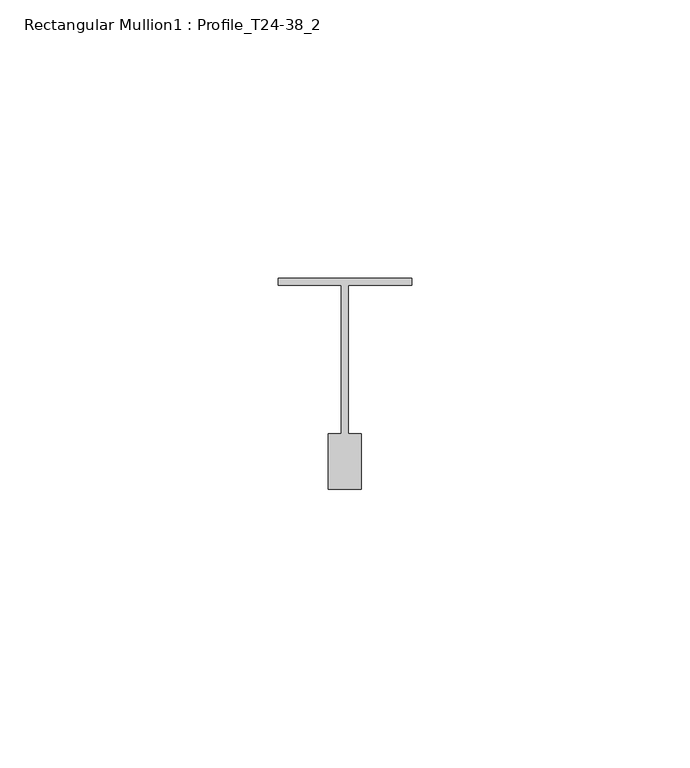
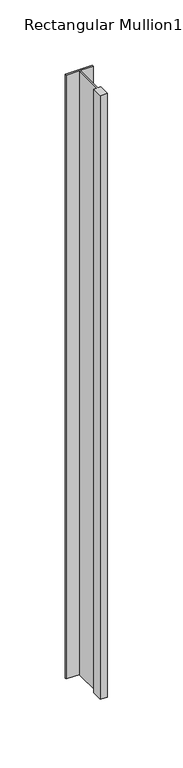
"""IFC4 building model written with IfcOpenShell, lengths in millimetres: member geometry, Rectangular Mullion1 : Profile_T24-38_2."""

import ifcopenshell
import ifcopenshell.guid

model = None  # the IFC model being written
_history = None  # IfcOwnerHistory: only IFC2X3 demands one
_inside = {}  # id of a spatial element -> (the spatial element, [elements in it])
_under = {}  # id of a project, library or spatial element -> (it, [spatial elements below it])
_declared = {}  # id of a project -> (the project, [libraries it declares])
_typed = {}  # id of a type object -> (the type object, [elements of that type])
_made_of = {}  # id of a material, layer set ... -> (it, [elements and type objects made of it])


def new_model(schema):
    """Start an empty IFC model of exactly this schema.

    Asked for "IFC4X3", IfcOpenShell would pick the latest addendum, in which some entities
    have other attributes; the version numbers below select the first issue.
    IFC2X3 requires an IfcOwnerHistory on every rooted entity: one is made here for all.
    """
    global model, _history
    if schema == "IFC4X3":
        model = ifcopenshell.file(schema_version=(4, 3, 0, 0))
    else:
        model = ifcopenshell.file(schema=schema)
    _inside.clear()
    _under.clear()
    _declared.clear()
    _typed.clear()
    _made_of.clear()
    _history = None
    if model.schema == "IFC2X3":
        org = make("IfcOrganization", Name="unknown")
        user = make(
            "IfcPersonAndOrganization",
            ThePerson=make("IfcPerson", FamilyName="unknown"),
            TheOrganization=org,
        )
        app = make(
            "IfcApplication",
            ApplicationDeveloper=org,
            Version="unknown",
            ApplicationFullName="unknown",
            ApplicationIdentifier="unknown",
        )
        _history = make(
            "IfcOwnerHistory",
            OwningUser=user,
            OwningApplication=app,
            ChangeAction="ADDED",
            CreationDate=0,
        )
    return model


def make(cls, **values):
    """One entity of the class cls with the attributes given. An attribute that is None is left unset."""
    return model.create_entity(
        cls, **{name: value for name, value in values.items() if value is not None}
    )


def rooted(cls, **values):
    """An entity with a GlobalId (a new one), such as an element, a storey or a relation."""
    return make(cls, GlobalId=ifcopenshell.guid.new(), OwnerHistory=_history, **values)


def si_unit(unit_type, name, prefix=None):
    """IfcSIUnit, for example si_unit("LENGTHUNIT", "METRE", prefix="MILLI")."""
    return make("IfcSIUnit", UnitType=unit_type, Prefix=prefix, Name=name)


def assignment(units):
    """IfcUnitAssignment: the units of a project."""
    return None if units is None else make("IfcUnitAssignment", Units=units)


def point(xyz):
    """IfcCartesianPoint."""
    return None if xyz is None else make("IfcCartesianPoint", Coordinates=xyz)


def direction(xyz):
    """IfcDirection."""
    return None if xyz is None else make("IfcDirection", DirectionRatios=xyz)


def frame(location, z_axis=None, x_axis=None):
    """IfcAxis2Placement3D, a coordinate frame: its origin and axes. An axis left out is left unset."""
    return make(
        "IfcAxis2Placement3D",
        Location=point(location),
        Axis=direction(z_axis),
        RefDirection=direction(x_axis),
    )


def origin():
    """The frame at (0, 0, 0) with its axes left unset."""
    return frame((0.0, 0.0, 0.0))


def place(relative_to, where):
    """IfcLocalPlacement: puts the frame where relative to a parent placement (None: the world)."""
    return make(
        "IfcLocalPlacement", PlacementRelTo=relative_to, RelativePlacement=where
    )


def context(
    kind, dimensions, precision=None, world=None, true_north=None, identifier=None
):
    """IfcGeometricRepresentationContext, for example the 3D "Model" context."""
    return make(
        "IfcGeometricRepresentationContext",
        ContextIdentifier=identifier,
        ContextType=kind,
        CoordinateSpaceDimension=dimensions,
        Precision=precision,
        WorldCoordinateSystem=world,
        TrueNorth=true_north,
    )


def project(units=None, contexts=None):
    """IfcProject with its units and contexts."""
    return rooted(
        "IfcProject",
        Name="project",
        RepresentationContexts=contexts,
        UnitsInContext=assignment(units),
    )


def spatial(cls, under=None, at=None, **own):
    """A site, building, storey or space (cls), placed at a placement, below another one or the project."""
    s = rooted(cls, ObjectPlacement=at, **own)
    if under is not None:
        _under.setdefault(under.id(), (under, []))[1].append(s)
    return s


def polyline(points):
    """IfcPolyline through the points."""
    return make("IfcPolyline", Points=[point(p) for p in points])


def outline(outer, holes=None, kind="AREA"):
    """IfcArbitraryClosedProfileDef: a profile drawn as a closed curve; with holes, ...WithVoids."""
    if holes is None:
        return make("IfcArbitraryClosedProfileDef", ProfileType=kind, OuterCurve=outer)
    return make(
        "IfcArbitraryProfileDefWithVoids",
        ProfileType=kind,
        OuterCurve=outer,
        InnerCurves=holes,
    )


def extrude(swept, where, along, depth):
    """IfcExtrudedAreaSolid: the profile swept, set in the frame where, extruded along a direction by depth."""
    return make(
        "IfcExtrudedAreaSolid",
        SweptArea=swept,
        Position=where,
        ExtrudedDirection=direction(along),
        Depth=depth,
    )


def shape(context_of_items, identifier, shape_type, items):
    """IfcShapeRepresentation: the items that make up one representation, for example the "Body"."""
    return make(
        "IfcShapeRepresentation",
        ContextOfItems=context_of_items,
        RepresentationIdentifier=identifier,
        RepresentationType=shape_type,
        Items=items,
    )


def source(mapping_origin, context_of_items, identifier, shape_type, items):
    """IfcRepresentationMap: a shape defined once, which mapped items show again and again."""
    return make(
        "IfcRepresentationMap",
        MappingOrigin=mapping_origin,
        MappedRepresentation=shape(context_of_items, identifier, shape_type, items),
    )


def transform(
    local_origin,
    x_axis=None,
    y_axis=None,
    z_axis=None,
    scale=None,
    scale2=None,
    scale3=None,
    uniform=True,
):
    """IfcCartesianTransformationOperator3D, or its non-uniform kind. x_axis, y_axis, z_axis: its Axis1, 2, 3."""
    if uniform:
        return make(
            "IfcCartesianTransformationOperator3D",
            Axis1=direction(x_axis),
            Axis2=direction(y_axis),
            LocalOrigin=point(local_origin),
            Scale=scale,
            Axis3=direction(z_axis),
        )
    return make(
        "IfcCartesianTransformationOperator3DnonUniform",
        Axis1=direction(x_axis),
        Axis2=direction(y_axis),
        LocalOrigin=point(local_origin),
        Scale=scale,
        Axis3=direction(z_axis),
        Scale2=scale2,
        Scale3=scale3,
    )


def mapped(mapping_source, mapping_target):
    """IfcMappedItem: shows the shape of a source again, moved by a transform."""
    return make(
        "IfcMappedItem", MappingSource=mapping_source, MappingTarget=mapping_target
    )


def made_of(thing, what):
    """Note that an element or type object is made of a material, layer set ...; save() writes the relation."""
    if what is not None:
        _made_of.setdefault(what.id(), (what, []))[1].append(thing)
    return thing


def element(
    cls,
    number,
    at=None,
    inside=None,
    cuts=None,
    type_object=None,
    material=None,
    context=None,
    identifier="Body",
    shape_type=None,
    held_by="IfcProductDefinitionShape",
    body=None,
    shapes=None,
    **own,
):
    """One element of the class cls, such as IfcWall. Its Tag is "e" and its number.

    at: its placement. inside: the storey or other place that contains it. cuts: it is an
    opening in that element (IfcRelVoidsElement). A single representation is given by context,
    identifier, shape_type and body (its items); several are given by shapes. held_by: the class
    of the entity that holds the representations. save() writes the other relations.
    """
    e = rooted(cls, Tag="e%d" % number, ObjectPlacement=at, **own)
    if body is not None:
        shapes = [shape(context, identifier, shape_type, body)]
    if shapes is not None:
        e.Representation = make(held_by, Representations=shapes)
    if inside is not None:
        _inside.setdefault(inside.id(), (inside, []))[1].append(e)
    if cuts is not None:
        rooted(
            "IfcRelVoidsElement", RelatingBuildingElement=cuts, RelatedOpeningElement=e
        )
    if type_object is not None:
        _typed.setdefault(type_object.id(), (type_object, []))[1].append(e)
    return made_of(e, material)


def aggregate(whole, parts):
    """IfcRelAggregates: a whole, such as a stair, and the parts it consists of."""
    return rooted("IfcRelAggregates", RelatingObject=whole, RelatedObjects=parts)


def save(model, path):
    """Write the relations noted so far, then the file.

    IfcRelAggregates (storeys below a building ...), IfcRelContainedInSpatialStructure (elements
    in a storey), IfcRelDefinesByType, IfcRelAssociatesMaterial and IfcRelDeclares: one each for
    every whole, place, type object, material and project.
    """
    for whole, parts in _under.values():
        aggregate(whole, parts)
    for where, things in _inside.values():
        rooted(
            "IfcRelContainedInSpatialStructure",
            RelatedElements=things,
            RelatingStructure=where,
        )
    for kind, things in _typed.values():
        rooted("IfcRelDefinesByType", RelatedObjects=things, RelatingType=kind)
    for what, things in _made_of.values():
        rooted("IfcRelAssociatesMaterial", RelatedObjects=things, RelatingMaterial=what)
    for by, libraries in _declared.values():
        rooted("IfcRelDeclares", RelatingContext=by, RelatedDefinitions=libraries)
    model.write(path)


def rectangular_mullion1_profile_t24_38_2_6d5d9963(model_context):
    return source(origin(), model_context, "Body", "SweptSolid", [
        extrude(outline(polyline([(-24.0, -0.5), (0.0, -0.5), (0.0, -1.75), (-11.4, -1.75), (-11.4, -28.5), (-9.0, -28.5), (-9.0, -38.5), (-15.0, -38.5), (-15.0, -28.5), (-12.6, -28.5), (-12.6, -1.75), (-24.0, -1.75), (-24.0, -0.5)])), frame((0.0, 0.0, -564.0), z_axis=(0.0, 0.0, 1.0), x_axis=(1.0, 0.0, 0.0)), (0.0, 0.0, 1.0), 564.0),
    ])


if __name__ == "__main__":
    model = new_model("IFC4")
    model_context = context("Model", 3, world=origin())
    ifc_project = project(units=[si_unit("LENGTHUNIT", "METRE", prefix="MILLI")], contexts=[model_context])
    site = spatial("IfcSite", under=ifc_project)
    building = spatial("IfcBuilding", under=site)
    placement = place(None, origin())
    rectangular_mullion1_profile_t24_38_2_shape = rectangular_mullion1_profile_t24_38_2_6d5d9963(model_context)
    element("IfcMember", 1, ObjectType="Rectangular Mullion1 : Profile_T24-38_2", at=placement, inside=building, context=model_context, shape_type="MappedRepresentation", body=[
        mapped(rectangular_mullion1_profile_t24_38_2_shape, transform((0.0, 0.0, 0.0), x_axis=(1.0, 0.0, 0.0), y_axis=(0.0, 1.0, 0.0), z_axis=(0.0, 0.0, 1.0))),
    ])
    save(model, "model.ifc")
